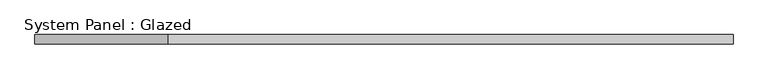
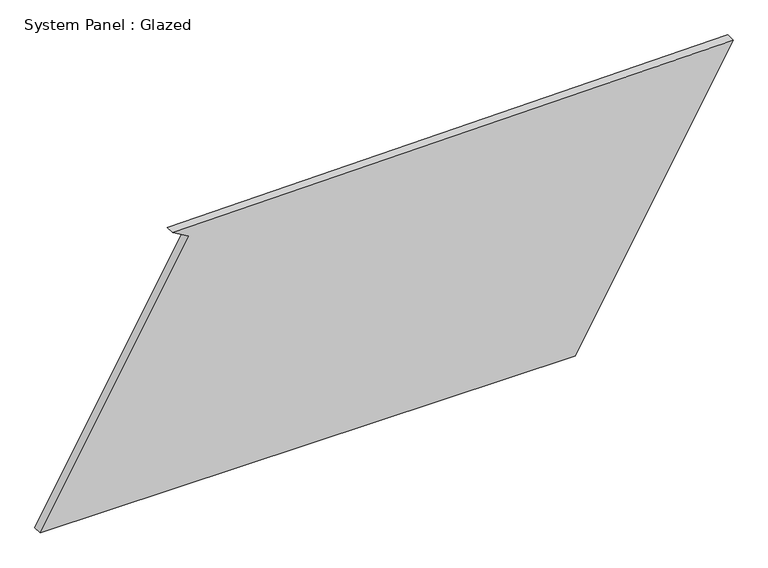
"""IFC4 building model written with IfcOpenShell, lengths in millimetres: plate geometry, System Panel : Glazed."""

from ifc_helpers import new_model, si_unit, frame, origin, place, context, project, spatial, polyline, outline, extrude, source, transform, mapped, element, save


def system_panel_glazed_aaa42362(model_context):
    return source(origin(), model_context, "Body", "SweptSolid", [
        extrude(outline(polyline([(0.0, -934.6083161), (0.0, 508.5157713), (752.1627011, 934.6083161), (731.8373089, -577.4039733), (707.1882479, -533.9019757), (0.0, -934.6083161)])), frame((0.0, -49.5, 0.0), z_axis=(0.0, 1.0, 0.0), x_axis=(0.0, 0.0, 1.0)), (0.0, 0.0, 1.0), 25.0),
    ])


if __name__ == "__main__":
    model = new_model("IFC4")
    model_context = context("Model", 3, world=origin())
    ifc_project = project(units=[si_unit("LENGTHUNIT", "METRE", prefix="MILLI")], contexts=[model_context])
    site = spatial("IfcSite", under=ifc_project)
    building = spatial("IfcBuilding", under=site)
    placement = place(None, origin())
    system_panel_glazed_shape = system_panel_glazed_aaa42362(model_context)
    element("IfcPlate", 1, ObjectType="System Panel : Glazed", at=placement, inside=building, context=model_context, shape_type="MappedRepresentation", body=[
        mapped(system_panel_glazed_shape, transform((0.0, 0.0, 0.0), x_axis=(1.0, 0.0, 0.0), y_axis=(0.0, 1.0, 0.0), z_axis=(0.0, 0.0, 1.0))),
    ])
    save(model, "model.ifc")
